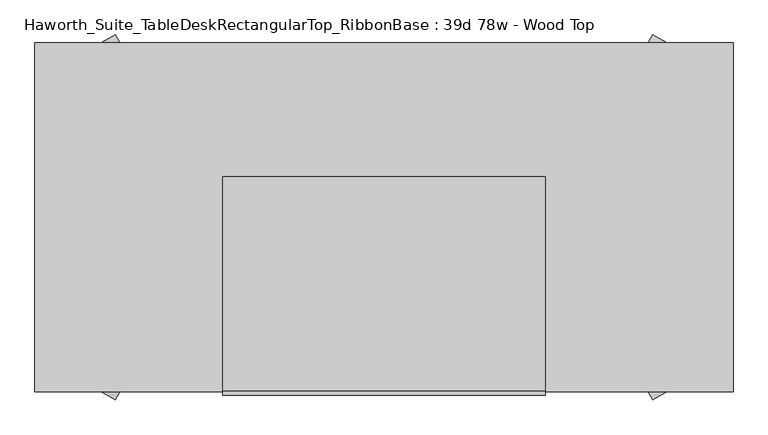
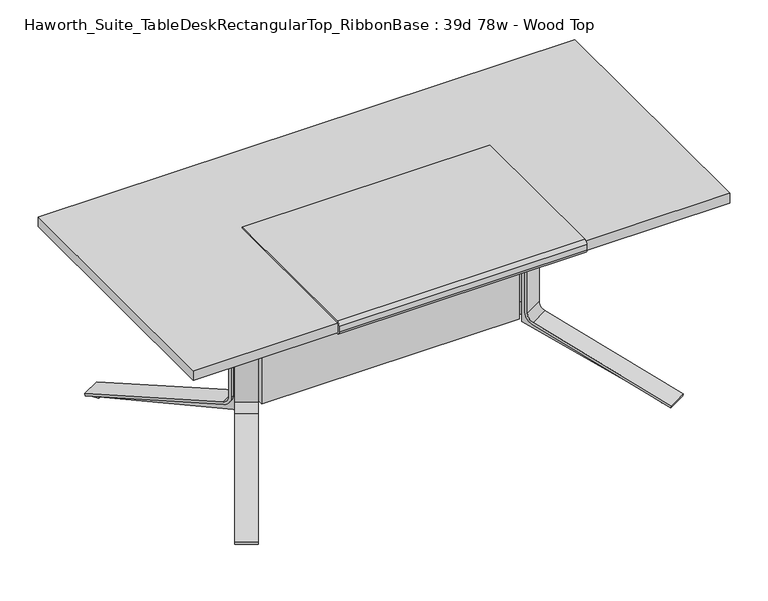
"""IFC4 building model written with IfcOpenShell, lengths in millimetres: furniture geometry, Haworth_Suite_TableDeskRectangularTop_RibbonBase : 39d 78w - Wood Top."""

from ifc_helpers import new_model, si_unit, point, frame, frame_2d, origin, place, context, project, spatial, polyline, circle_curve, trimmed, segment, composite_curve, outline, extrude, source, transform, mapped, element, save


def haworth_suite_tabledeskrectangulartop_ribbonbase_39d_78w_a676132f(model_context):
    return source(origin(), model_context, "Body", "SweptSolid", [
        extrude(outline(composite_curve([segment(polyline([(-269.3436323, 0.0), (0.0, 0.0), (112.9884974, -503.8783626), (-364.1289313, -745.3027257), (-363.1013704, -749.8851897), (-391.6775969, -756.2930555), (-393.0670035, -750.0969211), (63.4019807, -500.5507407)]), True, "CONTINUOUS"), segment(trimmed(circle_curve(frame_2d((45.1259393, -467.1202708)), 38.1), [point((63.4019807, -500.5507407))], [point((82.3027309, -458.7838346))], True, "CARTESIAN"), True, "CONTINUOUS"), segment(polyline([(82.3027309, -458.7838346), (-9.2618925, -50.446406)]), True, "CONTINUOUS"), segment(trimmed(circle_curve(frame_2d((-46.438684, -58.7828422)), 38.1), [point((-9.2618925, -50.446406))], [point((-44.1875449, -20.7494046))], True, "CARTESIAN"), True, "CONTINUOUS"), segment(polyline([(-44.1875449, -20.7494046), (-295.5330753, -5.872659), (-269.3436323, 0.0)]), True, "CONTINUOUS")], self_intersect=False)), frame((522.9648531, -507.7080688, 652.2665091), z_axis=(-0.8660254037844421, 0.499999999999994, 0.0), x_axis=(-0.48788440383841064, -0.8450405756685929, -0.21880409951582672)), (0.0, 0.0, 1.0), 47.625),
        extrude(outline(composite_curve([segment(trimmed(circle_curve(frame_2d((0.0, 28.575)), 28.575), [point((27.4680529, 36.4513374))], [point((0.0, 57.15))], True, "CARTESIAN"), True, "CONTINUOUS"), segment(polyline([(0.0, 57.15), (-418.7285036, 57.15)]), True, "CONTINUOUS"), segment(trimmed(circle_curve(frame_2d((-418.7285036, 28.575)), 28.575), [point((-418.7285036, 57.15))], [point((-446.1965565, 36.4513374))], True, "CARTESIAN"), True, "CONTINUOUS"), segment(polyline([(-446.1965565, 36.4513374), (-513.8596652, -199.517965)]), True, "CONTINUOUS"), segment(trimmed(circle_curve(frame_2d((-477.2355946, -210.0197483)), 38.1), [point((-513.8596652, -199.517965))], [point((-515.3355946, -210.0197483))], True, "CARTESIAN"), True, "CONTINUOUS"), segment(polyline([(-515.3355946, -210.0197483), (-515.3355946, -303.1768115), (-524.8605946, -303.1768115), (-524.8605946, -208.2699421)]), True, "CONTINUOUS"), segment(trimmed(circle_curve(frame_2d((-486.7605946, -208.2699421)), 38.1), [point((-524.8605946, -208.2699421))], [point((-523.3798781, -197.7514786))], False, "CARTESIAN"), True, "CONTINUOUS"), segment(polyline([(-523.3798781, -197.7514786), (-455.3489221, 39.0934635)]), True, "CONTINUOUS"), segment(trimmed(circle_curve(frame_2d((-418.7296385, 28.575)), 38.1), [point((-455.3489221, 39.0934635))], [point((-418.7296385, 66.675))], False, "CARTESIAN"), True, "CONTINUOUS"), segment(polyline([(-418.7296385, 66.675), (-0.2519977, 66.675)]), True, "CONTINUOUS"), segment(trimmed(circle_curve(frame_2d((-0.2519977, 28.575)), 38.1), [point((-0.2519977, 66.675))], [point((36.3672848, 39.0934673))], False, "CARTESIAN"), True, "CONTINUOUS"), segment(polyline([(36.3672848, 39.0934673), (183.1655841, -471.9741854), (174.0095606, -474.5996329), (27.4680529, 36.4513374)]), True, "CONTINUOUS")], self_intersect=False)), frame((578.7133642, -439.7238152, 186.3393812), z_axis=(-0.866025403784442, 0.49999999999999406, 0.0), x_axis=(0.0, 0.0, -1.0)), (0.0, 0.0, 1.0), 76.2),
        extrude(outline(composite_curve([segment(polyline([(269.3436323, 0.0), (0.0, 0.0), (-112.9884974, 503.8783626), (364.1289313, 745.3027257), (363.1013703, 749.8851897), (391.6775968, 756.2930555), (393.0670034, 750.0969211), (-63.4019808, 500.5507407)]), True, "CONTINUOUS"), segment(trimmed(circle_curve(frame_2d((-45.1259393, 467.1202708)), 38.1), [point((-63.4019808, 500.5507407))], [point((-82.3027309, 458.7838346))], True, "CARTESIAN"), True, "CONTINUOUS"), segment(polyline([(-82.3027309, 458.7838346), (9.2618925, 50.446406)]), True, "CONTINUOUS"), segment(trimmed(circle_curve(frame_2d((46.438684, 58.7828422)), 38.1), [point((9.2618925, 50.446406))], [point((44.1875448, 20.7494046))], True, "CARTESIAN"), True, "CONTINUOUS"), segment(polyline([(44.1875448, 20.7494046), (295.5330753, 5.872659), (269.3436323, 0.0)]), True, "CONTINUOUS")], self_intersect=False)), frame((481.7203933, -532.1044312, 652.2665091), z_axis=(0.8660254037844388, 0.49999999999999967, 0.0), x_axis=(0.48788440383841614, -0.8450405756685897, 0.21880409951582672)), (0.0, 0.0, 1.0), 47.625),
        extrude(outline(composite_curve([segment(trimmed(circle_curve(frame_2d((0.0, -28.575)), 28.575), [point((-27.4680529, -36.4513374))], [point((0.0, -57.15))], True, "CARTESIAN"), True, "CONTINUOUS"), segment(polyline([(0.0, -57.15), (418.7285036, -57.15)]), True, "CONTINUOUS"), segment(trimmed(circle_curve(frame_2d((418.7285036, -28.575)), 28.575), [point((418.7285036, -57.15))], [point((446.1965565, -36.4513374))], True, "CARTESIAN"), True, "CONTINUOUS"), segment(polyline([(446.1965565, -36.4513374), (513.8596652, 199.517965)]), True, "CONTINUOUS"), segment(trimmed(circle_curve(frame_2d((477.2355946, 210.0197483)), 38.1), [point((513.8596652, 199.517965))], [point((515.3355946, 210.0197483))], True, "CARTESIAN"), True, "CONTINUOUS"), segment(polyline([(515.3355946, 210.0197483), (515.3355946, 303.1768115), (524.8605946, 303.1768115), (524.8605946, 208.2699421)]), True, "CONTINUOUS"), segment(trimmed(circle_curve(frame_2d((486.7605946, 208.2699421)), 38.1), [point((524.8605946, 208.2699421))], [point((523.3798781, 197.7514786))], False, "CARTESIAN"), True, "CONTINUOUS"), segment(polyline([(523.3798781, 197.7514786), (455.3489221, -39.0934635)]), True, "CONTINUOUS"), segment(trimmed(circle_curve(frame_2d((418.7296385, -28.575)), 38.1), [point((455.3489221, -39.0934635))], [point((418.7296385, -66.675))], False, "CARTESIAN"), True, "CONTINUOUS"), segment(polyline([(418.7296385, -66.675), (0.2519977, -66.675)]), True, "CONTINUOUS"), segment(trimmed(circle_curve(frame_2d((0.2519977, -28.575)), 38.1), [point((0.2519977, -66.675))], [point((-36.3672848, -39.0934673))], False, "CARTESIAN"), True, "CONTINUOUS"), segment(polyline([(-36.3672848, -39.0934673), (-183.1655841, 471.9741854), (-174.0095606, 474.5996329), (-27.4680529, -36.4513374)]), True, "CONTINUOUS")], self_intersect=False)), frame((512.7222284, -614.3761848, 186.3393812), z_axis=(0.8660254037844388, 0.49999999999999967, 0.0), x_axis=(0.0, 0.0, 1.0)), (0.0, 0.0, 1.0), 76.2),
        extrude(outline(composite_curve([segment(polyline([(-269.3436323, 0.0), (-295.5330753, 5.872659), (-44.1875449, 20.7494046)]), True, "CONTINUOUS"), segment(trimmed(circle_curve(frame_2d((-46.438684, 58.7828422)), 38.1), [point((-44.1875449, 20.7494046))], [point((-9.2618925, 50.446406))], True, "CARTESIAN"), True, "CONTINUOUS"), segment(polyline([(-9.2618925, 50.446406), (82.3027309, 458.7838346)]), True, "CONTINUOUS"), segment(trimmed(circle_curve(frame_2d((45.1259393, 467.1202708)), 38.1), [point((82.3027309, 458.7838346))], [point((63.4019807, 500.5507407))], True, "CARTESIAN"), True, "CONTINUOUS"), segment(polyline([(63.4019807, 500.5507407), (-393.0670035, 750.0969211), (-391.6775969, 756.2930555), (-363.1013704, 749.8851897), (-364.1289313, 745.3027257), (112.9884974, 503.8783626), (0.0, 0.0), (-269.3436323, 0.0)]), True, "CONTINUOUS")], self_intersect=False)), frame((-548.3648531, -507.7080688, 652.2665091), z_axis=(0.8660254037844421, 0.499999999999994, 0.0), x_axis=(0.48788440383841064, -0.8450405756685929, -0.21880409951582672)), (0.0, 0.0, 1.0), 47.625),
        extrude(outline(composite_curve([segment(polyline([(27.4680529, -36.4513374), (174.0095606, 474.5996329), (183.1655841, 471.9741854), (36.3672848, -39.0934673)]), True, "CONTINUOUS"), segment(trimmed(circle_curve(frame_2d((-0.2519977, -28.575)), 38.1), [point((36.3672848, -39.0934673))], [point((-0.2519977, -66.675))], False, "CARTESIAN"), True, "CONTINUOUS"), segment(polyline([(-0.2519977, -66.675), (-418.7296385, -66.675)]), True, "CONTINUOUS"), segment(trimmed(circle_curve(frame_2d((-418.7296385, -28.575)), 38.1), [point((-418.7296385, -66.675))], [point((-455.3489221, -39.0934635))], False, "CARTESIAN"), True, "CONTINUOUS"), segment(polyline([(-455.3489221, -39.0934635), (-523.3798781, 197.7514786)]), True, "CONTINUOUS"), segment(trimmed(circle_curve(frame_2d((-486.7605946, 208.2699421)), 38.1), [point((-523.3798781, 197.7514786))], [point((-524.8605946, 208.2699421))], False, "CARTESIAN"), True, "CONTINUOUS"), segment(polyline([(-524.8605946, 208.2699421), (-524.8605946, 303.1768115), (-515.3355946, 303.1768115), (-515.3355946, 210.0197483)]), True, "CONTINUOUS"), segment(trimmed(circle_curve(frame_2d((-477.2355946, 210.0197483)), 38.1), [point((-515.3355946, 210.0197483))], [point((-513.8596652, 199.517965))], True, "CARTESIAN"), True, "CONTINUOUS"), segment(polyline([(-513.8596652, 199.517965), (-446.1965565, -36.4513374)]), True, "CONTINUOUS"), segment(trimmed(circle_curve(frame_2d((-418.7285036, -28.575)), 28.575), [point((-446.1965565, -36.4513374))], [point((-418.7285036, -57.15))], True, "CARTESIAN"), True, "CONTINUOUS"), segment(polyline([(-418.7285036, -57.15), (0.0, -57.15)]), True, "CONTINUOUS"), segment(trimmed(circle_curve(frame_2d((0.0, -28.575)), 28.575), [point((0.0, -57.15))], [point((27.4680529, -36.4513374))], True, "CARTESIAN"), True, "CONTINUOUS")], self_intersect=False)), frame((-604.1133642, -439.7238152, 186.3393812), z_axis=(0.866025403784442, 0.49999999999999406, 0.0), x_axis=(0.0, 0.0, -1.0)), (0.0, 0.0, 1.0), 76.2),
        extrude(outline(composite_curve([segment(polyline([(269.3436323, 0.0), (295.5330753, -5.872659), (44.1875448, -20.7494046)]), True, "CONTINUOUS"), segment(trimmed(circle_curve(frame_2d((46.438684, -58.7828422)), 38.1), [point((44.1875448, -20.7494046))], [point((9.2618925, -50.446406))], True, "CARTESIAN"), True, "CONTINUOUS"), segment(polyline([(9.2618925, -50.446406), (-82.3027309, -458.7838346)]), True, "CONTINUOUS"), segment(trimmed(circle_curve(frame_2d((-45.1259393, -467.1202708)), 38.1), [point((-82.3027309, -458.7838346))], [point((-63.4019808, -500.5507407))], True, "CARTESIAN"), True, "CONTINUOUS"), segment(polyline([(-63.4019808, -500.5507407), (393.0670034, -750.0969211), (391.6775968, -756.2930555), (363.1013703, -749.8851897), (364.1289313, -745.3027257), (-112.9884974, -503.8783626), (0.0, 0.0), (269.3436323, 0.0)]), True, "CONTINUOUS")], self_intersect=False)), frame((-507.1203933, -532.1044312, 652.2665091), z_axis=(-0.8660254037844388, 0.49999999999999967, 0.0), x_axis=(-0.48788440383841614, -0.8450405756685897, 0.21880409951582672)), (0.0, 0.0, 1.0), 47.625),
        extrude(outline(composite_curve([segment(polyline([(-27.4680529, 36.4513374), (-174.0095606, -474.5996329), (-183.1655841, -471.9741854), (-36.3672848, 39.0934673)]), True, "CONTINUOUS"), segment(trimmed(circle_curve(frame_2d((0.2519977, 28.575)), 38.1), [point((-36.3672848, 39.0934673))], [point((0.2519977, 66.675))], False, "CARTESIAN"), True, "CONTINUOUS"), segment(polyline([(0.2519977, 66.675), (418.7296385, 66.675)]), True, "CONTINUOUS"), segment(trimmed(circle_curve(frame_2d((418.7296385, 28.575)), 38.1), [point((418.7296385, 66.675))], [point((455.3489221, 39.0934635))], False, "CARTESIAN"), True, "CONTINUOUS"), segment(polyline([(455.3489221, 39.0934635), (523.3798781, -197.7514786)]), True, "CONTINUOUS"), segment(trimmed(circle_curve(frame_2d((486.7605946, -208.2699421)), 38.1), [point((523.3798781, -197.7514786))], [point((524.8605946, -208.2699421))], False, "CARTESIAN"), True, "CONTINUOUS"), segment(polyline([(524.8605946, -208.2699421), (524.8605946, -303.1768115), (515.3355946, -303.1768115), (515.3355946, -210.0197483)]), True, "CONTINUOUS"), segment(trimmed(circle_curve(frame_2d((477.2355946, -210.0197483)), 38.1), [point((515.3355946, -210.0197483))], [point((513.8596652, -199.517965))], True, "CARTESIAN"), True, "CONTINUOUS"), segment(polyline([(513.8596652, -199.517965), (446.1965565, 36.4513374)]), True, "CONTINUOUS"), segment(trimmed(circle_curve(frame_2d((418.7285036, 28.575)), 28.575), [point((446.1965565, 36.4513374))], [point((418.7285036, 57.15))], True, "CARTESIAN"), True, "CONTINUOUS"), segment(polyline([(418.7285036, 57.15), (0.0, 57.15)]), True, "CONTINUOUS"), segment(trimmed(circle_curve(frame_2d((0.0, 28.575)), 28.575), [point((0.0, 57.15))], [point((-27.4680529, 36.4513374))], True, "CARTESIAN"), True, "CONTINUOUS")], self_intersect=False)), frame((-538.1222284, -614.3761848, 186.3393812), z_axis=(-0.8660254037844388, 0.49999999999999967, 0.0), x_axis=(0.0, 0.0, 1.0)), (0.0, 0.0, 1.0), 76.2),
        extrude(outline(composite_curve([segment(polyline([(-999.9981828, 711.2566341), (-999.9981828, 706.2597008)]), True, "CONTINUOUS"), segment(trimmed(circle_curve(frame_2d((-999.9981828, 718.9597008)), 12.7), [point((-999.9981828, 706.2597008))], [point((-1012.6981828, 718.9597008))], False, "CARTESIAN"), True, "CONTINUOUS"), segment(polyline([(-1012.6981828, 718.9597008), (-1012.6981828, 741.3625)]), True, "CONTINUOUS"), segment(trimmed(circle_curve(frame_2d((-999.9981828, 741.3625)), 12.7), [point((-1012.6981828, 741.3625))], [point((-999.9981828, 754.0625))], False, "CARTESIAN"), True, "CONTINUOUS"), segment(polyline([(-999.9981828, 754.0625), (-393.5731828, 754.0625), (-393.5731828, 749.3), (-999.8350132, 749.3)]), True, "CONTINUOUS"), segment(trimmed(circle_curve(frame_2d((-999.8350132, 741.3625)), 7.9375), [point((-999.8350132, 749.3))], [point((-1007.7725132, 741.3625))], True, "CARTESIAN"), True, "CONTINUOUS"), segment(polyline([(-1007.7725132, 741.3625), (-1007.7725132, 717.6066341)]), True, "CONTINUOUS"), segment(trimmed(circle_curve(frame_2d((-1001.4225132, 717.6066341)), 6.35), [point((-1007.7725132, 717.6066341))], [point((-1001.4225132, 711.2566341))], True, "CARTESIAN"), True, "CONTINUOUS"), segment(polyline([(-1001.4225132, 711.2566341), (-999.9981828, 711.2566341)]), True, "CONTINUOUS")], self_intersect=False)), frame((-469.9, 0.0, 0.0), z_axis=(1.0, 0.0, 0.0), x_axis=(0.0, 1.0, 0.0)), (0.0, 0.0, 1.0), 914.4),
        extrude(outline(polyline([(495.3, -485.775), (495.3, -530.225), (-520.7, -530.225), (-520.7, -485.775), (495.3, -485.775)])), frame((0.0, 0.0, 214.3125), z_axis=(0.0, 0.0, 1.0), x_axis=(1.0, 0.0, 0.0)), (0.0, 0.0, 1.0), 368.3),
        extrude(outline(polyline([(463.55, -466.725), (463.55, -485.775), (-488.95, -485.775), (-488.95, -466.725), (463.55, -466.725)])), frame((0.0, 0.0, 163.5125), z_axis=(0.0, 0.0, 1.0), x_axis=(1.0, 0.0, 0.0)), (0.0, 0.0, 1.0), 469.9),
        extrude(outline(polyline([(463.55, -549.275), (-488.95, -549.275), (-488.95, -530.225), (463.55, -530.225), (463.55, -549.275)])), frame((0.0, 0.0, 163.5125), z_axis=(0.0, 0.0, 1.0), x_axis=(1.0, 0.0, 0.0)), (0.0, 0.0, 1.0), 469.9),
        extrude(outline(polyline([(977.9, -12.7), (977.9, -1003.3), (-1003.3, -1003.3), (-1003.3, -12.7), (977.9, -12.7)])), frame((0.0, 0.0, 711.2), z_axis=(0.0, 0.0, 1.0), x_axis=(1.0, 0.0, 0.0)), (0.0, 0.0, 1.0), 38.1),
    ])


if __name__ == "__main__":
    model = new_model("IFC4")
    model_context = context("Model", 3, world=origin())
    ifc_project = project(units=[si_unit("LENGTHUNIT", "METRE", prefix="MILLI")], contexts=[model_context])
    site = spatial("IfcSite", under=ifc_project)
    building = spatial("IfcBuilding", under=site)
    placement = place(None, origin())
    haworth_suite_tabledeskrectangulartop_ribbonbase_39d_78w_shape = haworth_suite_tabledeskrectangulartop_ribbonbase_39d_78w_a676132f(model_context)
    element("IfcFurniture", 1, ObjectType="Haworth_Suite_TableDeskRectangularTop_RibbonBase : 39d 78w - Wood Top", at=placement, inside=building, context=model_context, shape_type="MappedRepresentation", body=[
        mapped(haworth_suite_tabledeskrectangulartop_ribbonbase_39d_78w_shape, transform((0.0, 0.0, 0.0), x_axis=(1.0, 0.0, 0.0), y_axis=(0.0, 1.0, 0.0), z_axis=(0.0, 0.0, 1.0))),
    ])
    save(model, "model.ifc")
